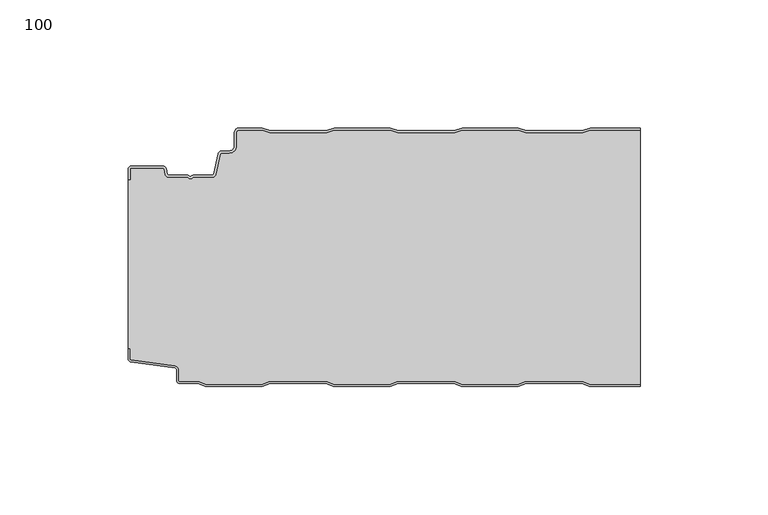
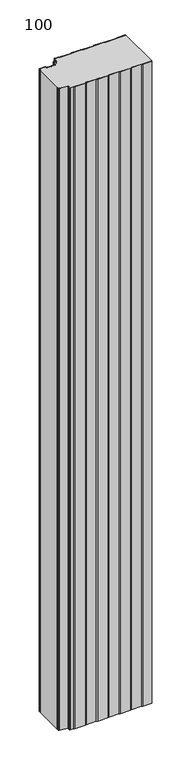
"""IFC4 building model written with IfcOpenShell, lengths in millimetres: plate geometry, 100."""

from ifc_helpers import new_model, si_unit, point, frame_2d, origin, origin_with_axes, place, context, project, spatial, polyline, circle_curve, trimmed, segment, composite_curve, outline, extrude, source, transform, mapped, element, save


def plate_100_6c90c8c3(model_context):
    return source(origin(), model_context, "Body", "SweptSolid", [
        extrude(outline(composite_curve([segment(trimmed(circle_curve(frame_2d((-98.6, -16.2480681)), 1.4), [point((-100.0, -16.2480681))], [point((-98.6, -14.8480681))], False, "CARTESIAN"), True, "CONTINUOUS"), segment(polyline([(-98.6, -14.8480681), (-86.4969094, -14.8480681)]), True, "CONTINUOUS"), segment(trimmed(circle_curve(frame_2d((-86.4969094, -16.2480681)), 1.4), [point((-86.4969094, -14.8480681))], [point((-85.1275334, -15.9568477))], False, "CARTESIAN"), True, "CONTINUOUS"), segment(polyline([(-85.1275334, -15.9568477), (-84.6878192, -18.0244711)]), True, "CONTINUOUS"), segment(trimmed(circle_curve(frame_2d((-84.1011925, -17.8997153)), 0.5997457), [point((-84.6878192, -18.0244711))], [point((-84.1011925, -18.499461))], True, "CARTESIAN"), True, "CONTINUOUS"), segment(polyline([(-84.1011925, -18.499461), (-76.9006569, -18.499461)]), True, "CONTINUOUS"), segment(trimmed(circle_curve(frame_2d((-76.9006569, -19.799946)), 1.300485), [point((-76.9006569, -18.499461))], [point((-75.9808032, -18.8806362))], False, "CARTESIAN"), True, "CONTINUOUS"), segment(trimmed(circle_curve(frame_2d((-75.5877843, -18.5693125)), 0.5013845), [point((-75.9808032, -18.8806362))], [point((-75.2328971, -18.9234896))], True, "CARTESIAN"), True, "CONTINUOUS"), segment(trimmed(circle_curve(frame_2d((-74.2728751, -19.8002001)), 1.3001013), [point((-75.2328971, -18.9234896))], [point((-74.2728751, -18.5000988))], False, "CARTESIAN"), True, "CONTINUOUS"), segment(polyline([(-74.2728751, -18.5000988), (-67.0728572, -18.5000988)]), True, "CONTINUOUS"), segment(trimmed(circle_curve(frame_2d((-67.0728572, -17.9000522)), 0.6000466), [point((-67.0728572, -18.5000988))], [point((-66.4859224, -18.0248059))], True, "CARTESIAN"), True, "CONTINUOUS"), segment(polyline([(-66.4859224, -18.0248059), (-64.8033928, -10.1089305)]), True, "CONTINUOUS"), segment(trimmed(circle_curve(frame_2d((-63.4339847, -10.4)), 1.4), [point((-64.8033928, -10.1089305))], [point((-63.4339847, -9.0))], False, "CARTESIAN"), True, "CONTINUOUS"), segment(polyline([(-63.4339847, -9.0), (-60.4027062, -9.0)]), True, "CONTINUOUS"), segment(trimmed(circle_curve(frame_2d((-60.4027062, -7.1)), 1.9), [point((-60.4027062, -9.0))], [point((-58.5027062, -7.1))], True, "CARTESIAN"), True, "CONTINUOUS"), segment(polyline([(-58.5027062, -7.1), (-58.5027062, -2.0)]), True, "CONTINUOUS"), segment(trimmed(circle_curve(frame_2d((-56.5027062, -2.0)), 2.0), [point((-58.5027062, -2.0))], [point((-56.5027062, 0.0))], False, "CARTESIAN"), True, "CONTINUOUS"), segment(polyline([(-56.5027062, 0.0), (-47.5017452, 0.0), (-44.5017452, -1.0), (-22.5017452, -1.0), (-19.5017452, 0.0), (2.4982548, 0.0), (5.4982548, -1.0), (27.4982548, -1.0), (30.4982548, 0.0), (52.4982548, 0.0), (55.4982548, -1.0), (77.4982548, -1.0), (80.4982548, 0.0), (100.0, 0.0), (100.0, -0.8), (80.6280769, -0.8), (77.6280769, -1.8), (55.3684327, -1.8), (52.3684327, -0.8), (30.6280769, -0.8), (27.6280769, -1.8), (5.3684327, -1.8), (2.3684327, -0.8), (-19.3719231, -0.8), (-22.3719231, -1.8), (-44.6315673, -1.8), (-47.6315673, -0.8), (-56.5027062, -0.8)]), True, "CONTINUOUS"), segment(trimmed(circle_curve(frame_2d((-56.5027062, -2.0)), 1.2), [point((-56.5027062, -0.8))], [point((-57.7027062, -2.0))], True, "CARTESIAN"), True, "CONTINUOUS"), segment(polyline([(-57.7027062, -2.0), (-57.7027062, -7.1)]), True, "CONTINUOUS"), segment(trimmed(circle_curve(frame_2d((-60.4027062, -7.1)), 2.7), [point((-57.7027062, -7.1))], [point((-60.4027062, -9.8))], False, "CARTESIAN"), True, "CONTINUOUS"), segment(polyline([(-60.4027062, -9.8), (-63.4339847, -9.8)]), True, "CONTINUOUS"), segment(trimmed(circle_curve(frame_2d((-63.4339847, -10.4)), 0.6), [point((-63.4339847, -9.8))], [point((-64.0208733, -10.275253))], True, "CARTESIAN"), True, "CONTINUOUS"), segment(polyline([(-64.0208733, -10.275253), (-65.7034335, -18.1910764)]), True, "CONTINUOUS"), segment(trimmed(circle_curve(frame_2d((-67.0728401, -17.9)), 1.4), [point((-65.7034335, -18.1910764))], [point((-67.0728401, -19.3))], False, "CARTESIAN"), True, "CONTINUOUS"), segment(polyline([(-67.0728401, -19.3), (-74.5122154, -19.3)]), True, "CONTINUOUS"), segment(trimmed(circle_curve(frame_2d((-75.5869697, -18.5686292)), 1.3), [point((-74.5122154, -19.3))], [point((-76.6617239, -19.3))], False, "CARTESIAN"), True, "CONTINUOUS"), segment(polyline([(-76.6617239, -19.3), (-84.1010993, -19.3)]), True, "CONTINUOUS"), segment(trimmed(circle_curve(frame_2d((-84.1010993, -17.9)), 1.4), [point((-84.1010993, -19.3))], [point((-85.4705059, -18.1910764))], False, "CARTESIAN"), True, "CONTINUOUS"), segment(polyline([(-85.4705059, -18.1910764), (-85.9100208, -16.1233211)]), True, "CONTINUOUS"), segment(trimmed(circle_curve(frame_2d((-86.4969094, -16.2480681)), 0.6), [point((-85.9100208, -16.1233211))], [point((-86.4969094, -15.6480681))], True, "CARTESIAN"), True, "CONTINUOUS"), segment(polyline([(-86.4969094, -15.6480681), (-98.6, -15.6480681)]), True, "CONTINUOUS"), segment(trimmed(circle_curve(frame_2d((-98.6, -16.2480681)), 0.6), [point((-98.6, -15.6480681))], [point((-99.2, -16.2480681))], True, "CARTESIAN"), True, "CONTINUOUS"), segment(polyline([(-99.2, -16.2480681), (-99.2, -20.2482392), (-100.0, -20.2482392), (-100.0, -16.2480681)]), True, "CONTINUOUS")], self_intersect=False)), origin_with_axes(), (0.0, 0.0, 1.0), 1500.0),
        extrude(outline(composite_curve([segment(polyline([(-100.0, -86.3232445), (-100.0, -20.2482392), (-99.2, -20.2482392), (-99.2, -16.2480681)]), True, "CONTINUOUS"), segment(trimmed(circle_curve(frame_2d((-98.6, -16.2480681)), 0.6), [point((-99.2, -16.2480681))], [point((-98.6, -15.6480681))], False, "CARTESIAN"), True, "CONTINUOUS"), segment(polyline([(-98.6, -15.6480681), (-86.4969094, -15.6480681)]), True, "CONTINUOUS"), segment(trimmed(circle_curve(frame_2d((-86.4969094, -16.2480681)), 0.6), [point((-86.4969094, -15.6480681))], [point((-85.9100208, -16.1233211))], False, "CARTESIAN"), True, "CONTINUOUS"), segment(polyline([(-85.9100208, -16.1233211), (-85.4705059, -18.1910764)]), True, "CONTINUOUS"), segment(trimmed(circle_curve(frame_2d((-84.1010993, -17.9)), 1.4), [point((-85.4705059, -18.1910764))], [point((-84.1010993, -19.3))], True, "CARTESIAN"), True, "CONTINUOUS"), segment(polyline([(-84.1010993, -19.3), (-76.6617239, -19.3)]), True, "CONTINUOUS"), segment(trimmed(circle_curve(frame_2d((-75.5869697, -18.5686292)), 1.3), [point((-76.6617239, -19.3))], [point((-74.5122154, -19.3))], True, "CARTESIAN"), True, "CONTINUOUS"), segment(polyline([(-74.5122154, -19.3), (-67.0728401, -19.3)]), True, "CONTINUOUS"), segment(trimmed(circle_curve(frame_2d((-67.0728401, -17.9)), 1.4), [point((-67.0728401, -19.3))], [point((-65.7034335, -18.1910764))], True, "CARTESIAN"), True, "CONTINUOUS"), segment(polyline([(-65.7034335, -18.1910764), (-64.0208733, -10.275253)]), True, "CONTINUOUS"), segment(trimmed(circle_curve(frame_2d((-63.4339847, -10.4)), 0.6), [point((-64.0208733, -10.275253))], [point((-63.4339847, -9.8))], False, "CARTESIAN"), True, "CONTINUOUS"), segment(polyline([(-63.4339847, -9.8), (-60.4027062, -9.8)]), True, "CONTINUOUS"), segment(trimmed(circle_curve(frame_2d((-60.4027062, -7.1)), 2.7), [point((-60.4027062, -9.8))], [point((-57.7027062, -7.1))], True, "CARTESIAN"), True, "CONTINUOUS"), segment(polyline([(-57.7027062, -7.1), (-57.7027062, -2.0)]), True, "CONTINUOUS"), segment(trimmed(circle_curve(frame_2d((-56.5027062, -2.0)), 1.2), [point((-57.7027062, -2.0))], [point((-56.5027062, -0.8))], False, "CARTESIAN"), True, "CONTINUOUS"), segment(polyline([(-56.5027062, -0.8), (-47.6315673, -0.8), (-44.6315673, -1.8), (-22.3719231, -1.8), (-19.3719231, -0.8), (2.3684327, -0.8), (5.3684327, -1.8), (27.6280769, -1.8), (30.6280769, -0.8), (52.3684327, -0.8), (55.3684327, -1.8), (77.6280769, -1.8), (80.6280769, -0.8), (100.0, -0.8), (100.0, -100.2), (80.3684327, -100.2), (77.3684327, -99.2), (55.3684327, -99.2), (52.3684327, -100.2), (30.3684327, -100.2), (27.3684327, -99.2), (5.3684327, -99.2), (2.3684327, -100.2), (-19.6315673, -100.2), (-22.6315673, -99.2), (-44.6315673, -99.2), (-47.6315673, -100.2), (-69.6315673, -100.2), (-72.6315673, -99.2), (-79.7, -99.2)]), True, "CONTINUOUS"), segment(trimmed(circle_curve(frame_2d((-79.7, -98.7)), 0.5), [point((-79.7, -99.2))], [point((-80.2, -98.7))], False, "CARTESIAN"), True, "CONTINUOUS"), segment(polyline([(-80.2, -98.7), (-80.2, -94.6035317)]), True, "CONTINUOUS"), segment(trimmed(circle_curve(frame_2d((-81.7, -94.6035317)), 1.5), [point((-80.2, -94.6035317))], [point((-81.4911207, -93.1181464))], True, "CARTESIAN"), True, "CONTINUOUS"), segment(polyline([(-81.4911207, -93.1181464), (-98.6835517, -90.7004962)]), True, "CONTINUOUS"), segment(trimmed(circle_curve(frame_2d((-98.6, -90.1063421)), 0.6), [point((-98.6835517, -90.7004962))], [point((-99.2, -90.1063421))], False, "CARTESIAN"), True, "CONTINUOUS"), segment(polyline([(-99.2, -90.1063421), (-99.2, -86.3232445), (-100.0, -86.3232445)]), True, "CONTINUOUS")], self_intersect=False)), origin_with_axes(), (0.0, 0.0, 1.0), 1500.0),
        extrude(outline(composite_curve([segment(polyline([(-100.0, -86.3232445), (-99.2, -86.3232445), (-99.2, -90.1063421)]), True, "CONTINUOUS"), segment(trimmed(circle_curve(frame_2d((-98.6, -90.1063421)), 0.6), [point((-99.2, -90.1063421))], [point((-98.6835517, -90.7004962))], True, "CARTESIAN"), True, "CONTINUOUS"), segment(polyline([(-98.6835517, -90.7004962), (-81.4911207, -93.1181464)]), True, "CONTINUOUS"), segment(trimmed(circle_curve(frame_2d((-81.7, -94.6035317)), 1.5), [point((-81.4911207, -93.1181464))], [point((-80.2, -94.6035317))], False, "CARTESIAN"), True, "CONTINUOUS"), segment(polyline([(-80.2, -94.6035317), (-80.2, -98.7)]), True, "CONTINUOUS"), segment(trimmed(circle_curve(frame_2d((-79.7, -98.7)), 0.5), [point((-80.2, -98.7))], [point((-79.7, -99.2))], True, "CARTESIAN"), True, "CONTINUOUS"), segment(polyline([(-79.7, -99.2), (-72.6315673, -99.2), (-69.6315673, -100.2), (-47.6315673, -100.2), (-44.6315673, -99.2), (-22.6315673, -99.2), (-19.6315673, -100.2), (2.3684327, -100.2), (5.3684327, -99.2), (27.3684327, -99.2), (30.3684327, -100.2), (52.3684327, -100.2), (55.3684327, -99.2), (77.3684327, -99.2), (80.3684327, -100.2), (100.0, -100.2), (100.0, -101.0), (80.2386105, -101.0), (77.2386105, -100.0), (55.4982548, -100.0), (52.4982548, -101.0), (30.2386105, -101.0), (27.2386105, -100.0), (5.4982548, -100.0), (2.4982548, -101.0), (-19.7613895, -101.0), (-22.7613895, -100.0), (-44.5017452, -100.0), (-47.5017452, -101.0), (-69.7613895, -101.0), (-72.7613895, -100.0), (-79.7, -100.0)]), True, "CONTINUOUS"), segment(trimmed(circle_curve(frame_2d((-79.7, -98.7)), 1.3), [point((-79.7, -100.0))], [point((-81.0, -98.7))], False, "CARTESIAN"), True, "CONTINUOUS"), segment(polyline([(-81.0, -98.7), (-81.0, -94.6035317)]), True, "CONTINUOUS"), segment(trimmed(circle_curve(frame_2d((-81.7, -94.6035317)), 0.7), [point((-81.0, -94.6035317))], [point((-81.602523, -93.9103519))], True, "CARTESIAN"), True, "CONTINUOUS"), segment(polyline([(-81.602523, -93.9103519), (-98.8810287, -91.4805976)]), True, "CONTINUOUS"), segment(trimmed(circle_curve(frame_2d((-98.7, -90.1932637)), 1.3), [point((-98.8810287, -91.4805976))], [point((-100.0, -90.1932637))], False, "CARTESIAN"), True, "CONTINUOUS"), segment(polyline([(-100.0, -90.1932637), (-100.0, -86.3232445)]), True, "CONTINUOUS")], self_intersect=False)), origin_with_axes(), (0.0, 0.0, 1.0), 1500.0),
    ])


if __name__ == "__main__":
    model = new_model("IFC4")
    model_context = context("Model", 3, world=origin())
    ifc_project = project(units=[si_unit("LENGTHUNIT", "METRE", prefix="MILLI")], contexts=[model_context])
    site = spatial("IfcSite", under=ifc_project)
    building = spatial("IfcBuilding", under=site)
    placement = place(None, origin())
    plate_100_shape = plate_100_6c90c8c3(model_context)
    element("IfcPlate", 1, ObjectType="100", at=placement, inside=building, context=model_context, shape_type="MappedRepresentation", body=[
        mapped(plate_100_shape, transform((0.0, 0.0, 0.0), x_axis=(1.0, 0.0, 0.0), y_axis=(0.0, 1.0, 0.0), z_axis=(0.0, 0.0, 1.0))),
    ])
    save(model, "model.ifc")
